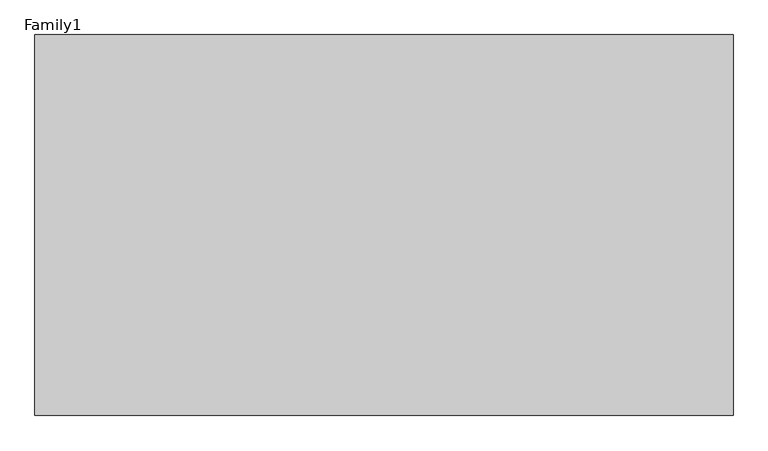
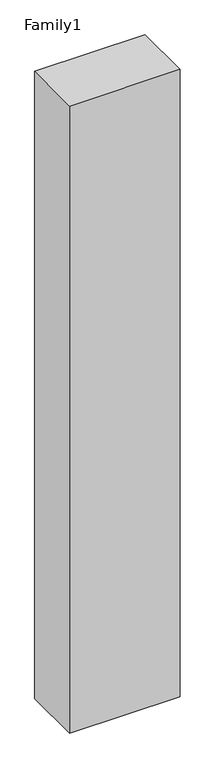
"""IFC4 building model written with IfcOpenShell, lengths in millimetres: proxy geometry, Family1."""

from ifc_helpers import new_model, si_unit, origin, origin_with_axes, place, context, project, spatial, polyline, outline, extrude, source, transform, mapped, element, save


def family1_0fcecf8f(model_context):
    return source(origin(), model_context, "Body", "SweptSolid", [
        extrude(outline(polyline([(5500.0, 0.0), (0.0, 0.0), (0.0, 3000.0), (5500.0, 3000.0), (5500.0, 0.0)])), origin_with_axes(), (0.0, 0.0, 1.0), 33000.0),
    ])


if __name__ == "__main__":
    model = new_model("IFC4")
    model_context = context("Model", 3, world=origin())
    ifc_project = project(units=[si_unit("LENGTHUNIT", "METRE", prefix="MILLI")], contexts=[model_context])
    site = spatial("IfcSite", under=ifc_project)
    building = spatial("IfcBuilding", under=site)
    placement = place(None, origin())
    family1_shape = family1_0fcecf8f(model_context)
    element("IfcBuildingElementProxy", 1, Name="Family1", ObjectType="Family1", at=placement, inside=building, context=model_context, shape_type="MappedRepresentation", body=[
        mapped(family1_shape, transform((0.0, 0.0, 0.0), x_axis=(1.0, 0.0, 0.0), y_axis=(0.0, 1.0, 0.0), z_axis=(0.0, 0.0, 1.0))),
    ])
    save(model, "model.ifc")
